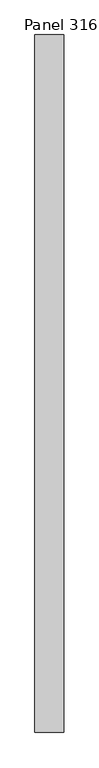
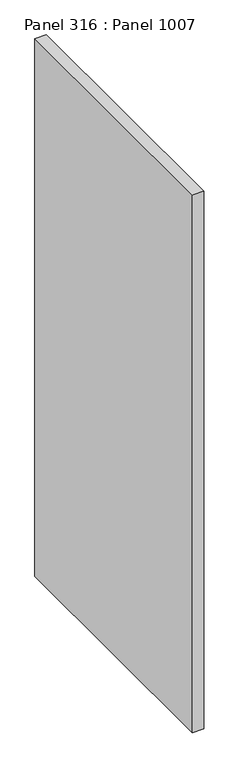
"""IFC4 building model written with IfcOpenShell, lengths in millimetres: proxy geometry, Panel 316 : Panel 1007."""

from ifc_helpers import new_model, si_unit, frame, origin, place, context, project, spatial, polyline, outline, extrude, source, transform, mapped, element, save


def panel_316_panel_1007_a82a33f6(model_context):
    return source(origin(), model_context, "Body", "SweptSolid", [
        extrude(outline(polyline([(26317.4761352, 343105.7845345), (26367.4761773, 343105.7845349), (26367.4761341, 341905.7845241), (26317.476092, 341905.7845237), (26317.4761352, 343105.7845345)])), frame((0.0, 0.0, 34575.0), z_axis=(0.0, 0.0, 1.0), x_axis=(1.0, 0.0, 0.0)), (0.0, 0.0, 1.0), 2500.0),
    ])


if __name__ == "__main__":
    model = new_model("IFC4")
    model_context = context("Model", 3, world=origin())
    ifc_project = project(units=[si_unit("LENGTHUNIT", "METRE", prefix="MILLI")], contexts=[model_context])
    site = spatial("IfcSite", under=ifc_project)
    building = spatial("IfcBuilding", under=site)
    placement = place(None, origin())
    panel_316_panel_1007_shape = panel_316_panel_1007_a82a33f6(model_context)
    element("IfcBuildingElementProxy", 1, Name="Panel 316 : Panel 1007", ObjectType="Panel 316 : Panel 1007", at=placement, inside=building, context=model_context, shape_type="MappedRepresentation", body=[
        mapped(panel_316_panel_1007_shape, transform((0.0, 0.0, 0.0), x_axis=(1.0, 0.0, 0.0), y_axis=(0.0, 1.0, 0.0), z_axis=(0.0, 0.0, 1.0))),
    ])
    save(model, "model.ifc")
